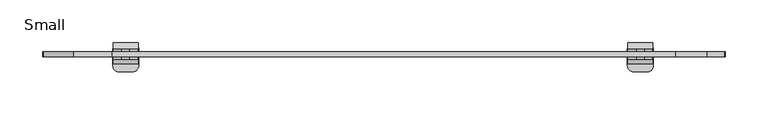
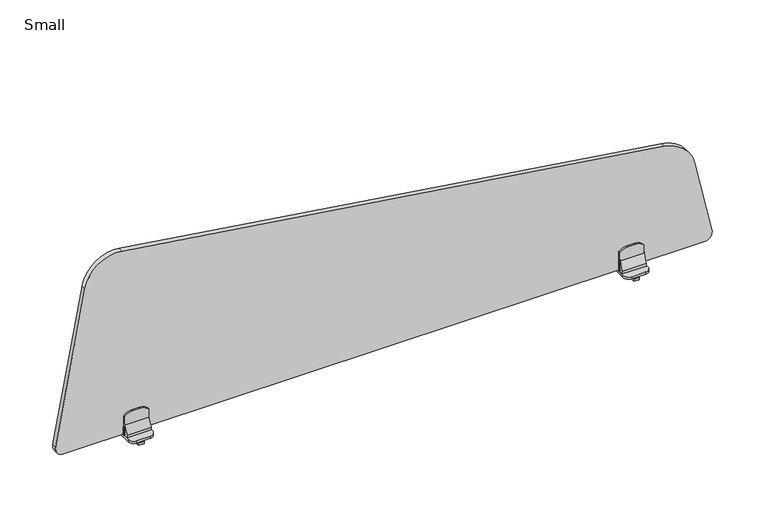
"""IFC4 building model written with IfcOpenShell, lengths in millimetres: furniture geometry, Small."""

from ifc_helpers import new_model, si_unit, point, frame, frame_2d, origin, place, context, project, spatial, polyline, circle_curve, trimmed, segment, composite_curve, outline, extrude, source, transform, mapped, element, save


def small_01656231(model_context):
    return source(origin(), model_context, "Body", "SweptSolid", [
        extrude(outline(composite_curve([segment(polyline([(1022.6379828, 339.2415163), (1118.3965169, -317.0408161)]), True, "CONTINUOUS"), segment(trimmed(circle_curve(frame_2d((1078.8156343, -322.8160855)), 40.0), [point((1118.3965169, -317.0408161))], [point((1086.148632, -362.1381804))], False, "CARTESIAN"), True, "CONTINUOUS"), segment(polyline([(1086.148632, -362.1381804), (895.2485128, -397.7382709)]), True, "CONTINUOUS"), segment(trimmed(circle_curve(frame_2d((893.4152634, -387.9077472)), 10.0), [point((895.2485128, -397.7382709))], [point((883.4152634, -387.9076732))], False, "CARTESIAN"), True, "CONTINUOUS"), segment(polyline([(883.4152634, -387.9076732), (883.4210018, 387.5684689)]), True, "CONTINUOUS"), segment(trimmed(circle_curve(frame_2d((893.4210018, 387.5683949)), 10.0), [point((883.4210018, 387.5684689))], [point((895.6054764, 397.326882))], False, "CARTESIAN"), True, "CONTINUOUS"), segment(polyline([(895.6054764, 397.326882), (987.9396256, 376.6575302)]), True, "CONTINUOUS"), segment(trimmed(circle_curve(frame_2d((978.1094899, 332.7443382)), 45.0), [point((987.9396256, 376.6575302))], [point((1022.6379828, 339.2415163))], False, "CARTESIAN"), True, "CONTINUOUS")], self_intersect=False)), frame((0.0, -28.4898924, 0.0), z_axis=(0.0, 1.0, 0.0), x_axis=(0.0, 0.0, 1.0)), (0.0, 0.0, 1.0), 6.0025633),
        extrude(outline(composite_curve([segment(trimmed(circle_curve(frame_2d((897.1869989, 303.2695447)), 14.2267735), [point((907.377178, 313.1973508))], [point((911.4137724, 303.2695447))], False, "CARTESIAN"), True, "CONTINUOUS"), segment(polyline([(911.4137724, 303.2695447), (911.4137724, 294.0742303)]), True, "CONTINUOUS"), segment(trimmed(circle_curve(frame_2d((896.9968668, 294.0742303)), 14.4169056), [point((911.4137724, 294.0742303))], [point((907.4675743, 284.1640612))], False, "CARTESIAN"), True, "CONTINUOUS"), segment(polyline([(907.4675743, 284.1640612), (883.4201418, 283.7300224), (883.4201418, 313.6155224), (907.377178, 313.1973508)]), True, "CONTINUOUS")], self_intersect=False)), frame((0.0, -22.4873291, 0.0), z_axis=(0.0, 1.0, 0.0), x_axis=(0.0, 0.0, 1.0)), (0.0, 0.0, 1.0), 2.999334),
        extrude(outline(composite_curve([segment(trimmed(circle_curve(frame_2d((897.1869989, 303.2695447)), 14.2267735), [point((907.377178, 313.1973508))], [point((911.4137724, 303.2695447))], False, "CARTESIAN"), True, "CONTINUOUS"), segment(polyline([(911.4137724, 303.2695447), (911.4137724, 294.0742303)]), True, "CONTINUOUS"), segment(trimmed(circle_curve(frame_2d((896.9968668, 294.0742303)), 14.4169056), [point((911.4137724, 294.0742303))], [point((907.4675743, 284.1640612))], False, "CARTESIAN"), True, "CONTINUOUS"), segment(polyline([(907.4675743, 284.1640612), (883.4201418, 283.7300224), (883.4201418, 313.6155224), (907.377178, 313.1973508)]), True, "CONTINUOUS")], self_intersect=False)), frame((0.0, -31.4873291, 0.0), z_axis=(0.0, 1.0, 0.0), x_axis=(0.0, 0.0, 1.0)), (0.0, 0.0, 1.0), 2.9974367),
        extrude(outline(composite_curve([segment(polyline([(-31.4729248, 883.4201418), (-36.5211722, 883.4201418), (-36.5211722, 886.6703705)]), True, "CONTINUOUS"), segment(trimmed(circle_curve(frame_2d((-54.8344291, 901.1750078)), 23.3615043), [point((-36.5211722, 886.6703705))], [point((-31.4729248, 901.1750078))], True, "CARTESIAN"), True, "CONTINUOUS"), segment(polyline([(-31.4729248, 901.1750078), (-31.4729248, 883.4201418)]), True, "CONTINUOUS")], self_intersect=False)), frame((284.1132831, 0.0, 0.0), z_axis=(1.0, 0.0, 0.0), x_axis=(0.0, 1.0, 0.0)), (0.0, 0.0, 1.0), 29.1132847),
        extrude(outline(composite_curve([segment(polyline([(-19.6398607, 883.4201418), (-19.6398607, 901.1750078)]), True, "CONTINUOUS"), segment(trimmed(circle_curve(frame_2d((1.0059606, 901.1750078)), 20.6458213), [point((-19.6398607, 901.1750078))], [point((-12.2649175, 885.3593912))], True, "CARTESIAN"), True, "CONTINUOUS"), segment(polyline([(-12.2649175, 885.3593912), (-12.2649175, 883.4201418), (-19.6398607, 883.4201418)]), True, "CONTINUOUS")], self_intersect=False)), frame((284.1132831, 0.0, 0.0), z_axis=(1.0, 0.0, 0.0), x_axis=(0.0, 1.0, 0.0)), (0.0, 0.0, 1.0), 29.1132847),
        extrude(outline(polyline([(-36.5132081, 880.4152285), (-28.476739, 880.4152285), (-28.476739, 875.715806), (-23.8902844, 875.715806), (-23.8902844, 872.7156927), (-41.0846201, 872.7156927), (-41.0846201, 875.715806), (-36.5132081, 875.715806), (-36.5132081, 880.4152285)])), frame((295.1757801, 0.0, 0.0), z_axis=(1.0, 0.0, 0.0), x_axis=(0.0, 1.0, 0.0)), (0.0, 0.0, 1.0), 6.9382188),
        extrude(outline(composite_curve([segment(polyline([(313.6679734, -19.2245738), (313.6679734, -39.5145243)]), True, "CONTINUOUS"), segment(trimmed(circle_curve(frame_2d((307.4654317, -39.5145243)), 6.2025417), [point((313.6679734, -39.5145243))], [point((307.4654317, -45.717066))], False, "CARTESIAN"), True, "CONTINUOUS"), segment(polyline([(307.4654317, -45.717066), (290.639712, -45.717066)]), True, "CONTINUOUS"), segment(trimmed(circle_curve(frame_2d((290.639712, -38.7531399)), 6.9639261), [point((290.639712, -45.717066))], [point((283.6757859, -38.7531399))], False, "CARTESIAN"), True, "CONTINUOUS"), segment(polyline([(283.6757859, -38.7531399), (283.6757859, -18.9642438)]), True, "CONTINUOUS"), segment(trimmed(circle_curve(frame_2d((289.6878266, -18.9642438)), 6.0120407), [point((283.6757859, -18.9642438))], [point((288.7235722, -13.0300339))], False, "CARTESIAN"), True, "CONTINUOUS"), segment(trimmed(circle_curve(frame_2d((298.6652738, -74.2132045)), 61.9856257), [point((288.7235722, -13.0300339))], [point((308.3385337, -12.9870187))], False, "CARTESIAN"), True, "CONTINUOUS"), segment(trimmed(circle_curve(frame_2d((307.3530486, -19.2245738)), 6.3149248), [point((308.3385337, -12.9870187))], [point((313.6679734, -19.2245738))], False, "CARTESIAN"), True, "CONTINUOUS")], self_intersect=False)), frame((0.0, 0.0, 880.4152285), z_axis=(0.0, 0.0, 1.0), x_axis=(1.0, 0.0, 0.0)), (0.0, 0.0, 1.0), 3.0049134),
        extrude(outline(composite_curve([segment(polyline([(907.377178, -315.6973508), (883.4201418, -316.1155224), (883.4201418, -286.2300224), (907.4675743, -286.6640612)]), True, "CONTINUOUS"), segment(trimmed(circle_curve(frame_2d((896.9968668, -296.5742303)), 14.4169056), [point((907.4675743, -286.6640612))], [point((911.4137724, -296.5742303))], False, "CARTESIAN"), True, "CONTINUOUS"), segment(polyline([(911.4137724, -296.5742303), (911.4137724, -305.7695447)]), True, "CONTINUOUS"), segment(trimmed(circle_curve(frame_2d((897.1869989, -305.7695447)), 14.2267735), [point((911.4137724, -305.7695447))], [point((907.377178, -315.6973508))], False, "CARTESIAN"), True, "CONTINUOUS")], self_intersect=False)), frame((0.0, -22.4873291, 0.0), z_axis=(0.0, 1.0, 0.0), x_axis=(0.0, 0.0, 1.0)), (0.0, 0.0, 1.0), 2.999334),
        extrude(outline(composite_curve([segment(polyline([(907.377178, -315.6973508), (883.4201418, -316.1155224), (883.4201418, -286.2300224), (907.4675743, -286.6640612)]), True, "CONTINUOUS"), segment(trimmed(circle_curve(frame_2d((896.9968668, -296.5742303)), 14.4169056), [point((907.4675743, -286.6640612))], [point((911.4137724, -296.5742303))], False, "CARTESIAN"), True, "CONTINUOUS"), segment(polyline([(911.4137724, -296.5742303), (911.4137724, -305.7695447)]), True, "CONTINUOUS"), segment(trimmed(circle_curve(frame_2d((897.1869989, -305.7695447)), 14.2267735), [point((911.4137724, -305.7695447))], [point((907.377178, -315.6973508))], False, "CARTESIAN"), True, "CONTINUOUS")], self_intersect=False)), frame((0.0, -31.4873291, 0.0), z_axis=(0.0, 1.0, 0.0), x_axis=(0.0, 0.0, 1.0)), (0.0, 0.0, 1.0), 2.9974367),
        extrude(outline(composite_curve([segment(polyline([(-31.4729248, 883.4201418), (-36.5211722, 883.4201418), (-36.5211722, 886.6703705)]), True, "CONTINUOUS"), segment(trimmed(circle_curve(frame_2d((-54.8344291, 901.1750078)), 23.3615043), [point((-36.5211722, 886.6703705))], [point((-31.4729248, 901.1750078))], True, "CARTESIAN"), True, "CONTINUOUS"), segment(polyline([(-31.4729248, 901.1750078), (-31.4729248, 883.4201418)]), True, "CONTINUOUS")], self_intersect=False)), frame((-315.7265678, 0.0, 0.0), z_axis=(1.0, 0.0, 0.0), x_axis=(0.0, 1.0, 0.0)), (0.0, 0.0, 1.0), 29.1132847),
        extrude(outline(composite_curve([segment(polyline([(-19.6398607, 883.4201418), (-19.6398607, 901.1750078)]), True, "CONTINUOUS"), segment(trimmed(circle_curve(frame_2d((1.0059606, 901.1750078)), 20.6458213), [point((-19.6398607, 901.1750078))], [point((-12.2649175, 885.3593912))], True, "CARTESIAN"), True, "CONTINUOUS"), segment(polyline([(-12.2649175, 885.3593912), (-12.2649175, 883.4201418), (-19.6398607, 883.4201418)]), True, "CONTINUOUS")], self_intersect=False)), frame((-315.7265678, 0.0, 0.0), z_axis=(1.0, 0.0, 0.0), x_axis=(0.0, 1.0, 0.0)), (0.0, 0.0, 1.0), 29.1132847),
        extrude(outline(polyline([(-36.5132081, 880.4152285), (-28.476739, 880.4152285), (-28.476739, 875.715806), (-23.8902844, 875.715806), (-23.8902844, 872.7156927), (-41.0846201, 872.7156927), (-41.0846201, 875.715806), (-36.5132081, 875.715806), (-36.5132081, 880.4152285)])), frame((-304.6139989, 0.0, 0.0), z_axis=(1.0, 0.0, 0.0), x_axis=(0.0, 1.0, 0.0)), (0.0, 0.0, 1.0), 6.9382188),
        extrude(outline(composite_curve([segment(trimmed(circle_curve(frame_2d((-309.8530486, -19.2245738)), 6.3149248), [point((-316.1679734, -19.2245738))], [point((-310.8385337, -12.9870187))], False, "CARTESIAN"), True, "CONTINUOUS"), segment(trimmed(circle_curve(frame_2d((-301.1652738, -74.2132045)), 61.9856257), [point((-310.8385337, -12.9870187))], [point((-291.2235722, -13.0300339))], False, "CARTESIAN"), True, "CONTINUOUS"), segment(trimmed(circle_curve(frame_2d((-292.1878266, -18.9642438)), 6.0120407), [point((-291.2235722, -13.0300339))], [point((-286.1757859, -18.9642438))], False, "CARTESIAN"), True, "CONTINUOUS"), segment(polyline([(-286.1757859, -18.9642438), (-286.1757859, -38.7531399)]), True, "CONTINUOUS"), segment(trimmed(circle_curve(frame_2d((-293.139712, -38.7531399)), 6.9639261), [point((-286.1757859, -38.7531399))], [point((-293.139712, -45.717066))], False, "CARTESIAN"), True, "CONTINUOUS"), segment(polyline([(-293.139712, -45.717066), (-309.9654317, -45.717066)]), True, "CONTINUOUS"), segment(trimmed(circle_curve(frame_2d((-309.9654317, -39.5145243)), 6.2025417), [point((-309.9654317, -45.717066))], [point((-316.1679734, -39.5145243))], False, "CARTESIAN"), True, "CONTINUOUS"), segment(polyline([(-316.1679734, -39.5145243), (-316.1679734, -19.2245738)]), True, "CONTINUOUS")], self_intersect=False)), frame((0.0, 0.0, 880.4152285), z_axis=(0.0, 0.0, 1.0), x_axis=(1.0, 0.0, 0.0)), (0.0, 0.0, 1.0), 3.0049134),
    ])


if __name__ == "__main__":
    model = new_model("IFC4")
    model_context = context("Model", 3, world=origin())
    ifc_project = project(units=[si_unit("LENGTHUNIT", "METRE", prefix="MILLI")], contexts=[model_context])
    site = spatial("IfcSite", under=ifc_project)
    building = spatial("IfcBuilding", under=site)
    placement = place(None, origin())
    small_shape = small_01656231(model_context)
    element("IfcFurniture", 1, ObjectType="Small", at=placement, inside=building, context=model_context, shape_type="MappedRepresentation", body=[
        mapped(small_shape, transform((0.0, 0.0, 0.0), x_axis=(1.0, 0.0, 0.0), y_axis=(0.0, 1.0, 0.0), z_axis=(0.0, 0.0, 1.0))),
    ])
    save(model, "model.ifc")
